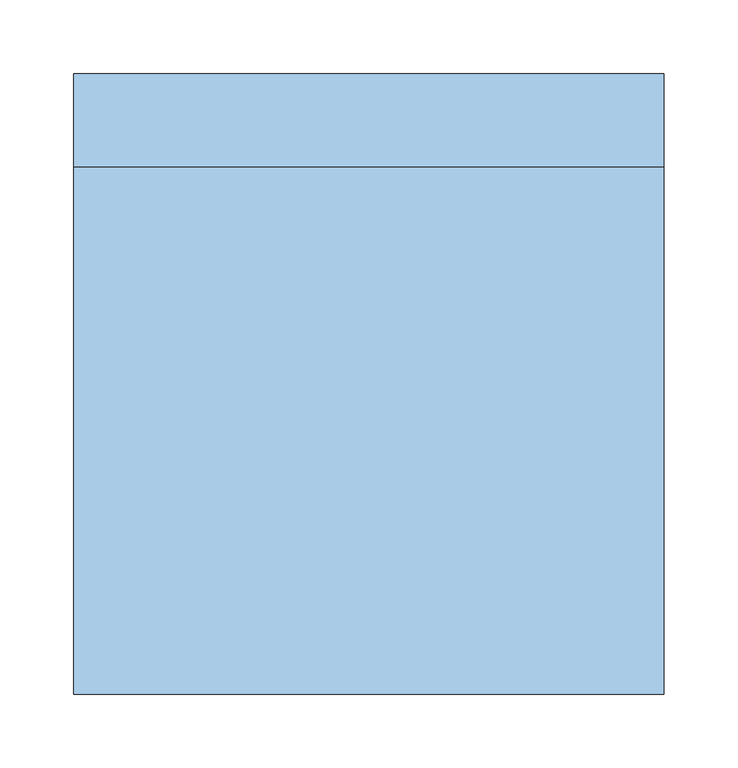
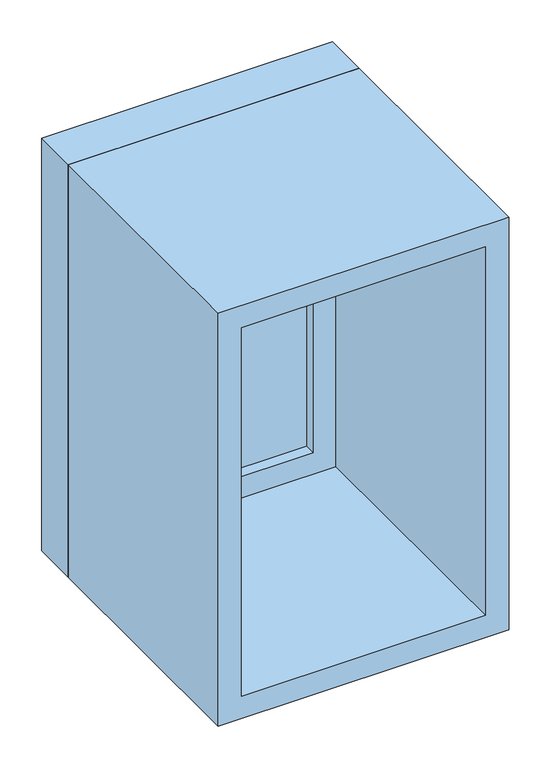
"""IFC4 building model written with IfcOpenShell, lengths in millimetres: window geometry."""

from ifc_helpers import new_model, si_unit, frame, origin, place, context, project, spatial, polyline, outline, extrude, source, transform, mapped, element, save


def window_4ecab917(model_context):
    return source(origin(), model_context, "Body", "SweptSolid", [
        extrude(outline(polyline([(-137.0, 188.0), (137.0, 188.0), (137.0, 176.0), (-137.0, 176.0), (-137.0, 188.0)])), frame((0.0, 0.0, 978.0), z_axis=(0.0, 0.0, 1.0), x_axis=(1.0, 0.0, 0.0)), (0.0, 0.0, 1.0), 474.0),
        extrude(outline(polyline([(1496.0, -181.0), (934.0, -181.0), (934.0, 181.0), (1496.0, 181.0), (1496.0, -181.0)]), holes=[polyline([(1452.0, -137.0), (1452.0, 137.0), (978.0, 137.0), (978.0, -137.0), (1452.0, -137.0)])]), frame((0.0, 160.0, 0.0), z_axis=(0.0, 1.0, 0.0), x_axis=(0.0, 0.0, 1.0)), (0.0, 0.0, 1.0), 44.0),
        extrude(outline(polyline([(1515.0, -200.0), (915.0, -200.0), (915.0, 200.0), (1515.0, 200.0), (1515.0, -200.0)]), holes=[polyline([(1496.0, -181.0), (1496.0, 181.0), (934.0, 181.0), (934.0, -181.0), (1496.0, -181.0)])]), frame((0.0, 160.0, 0.0), z_axis=(0.0, 1.0, 0.0), x_axis=(0.0, 0.0, 1.0)), (0.0, 0.0, 1.0), 63.0),
        extrude(outline(polyline([(1515.0, -200.0), (915.0, -200.0), (915.0, 200.0), (1515.0, 200.0), (1515.0, -200.0)]), holes=[polyline([(1483.0, -168.0), (1483.0, 168.0), (947.0, 168.0), (947.0, -168.0), (1483.0, -168.0)])]), frame((0.0, -197.0, 0.0), z_axis=(0.0, 1.0, 0.0), x_axis=(0.0, 0.0, 1.0)), (0.0, 0.0, 1.0), 357.0),
    ])


if __name__ == "__main__":
    model = new_model("IFC4")
    model_context = context("Model", 3, world=origin())
    ifc_project = project(units=[si_unit("LENGTHUNIT", "METRE", prefix="MILLI")], contexts=[model_context])
    site = spatial("IfcSite", under=ifc_project)
    building = spatial("IfcBuilding", under=site)
    placement = place(None, origin())
    window_shape = window_4ecab917(model_context)
    element("IfcWindow", 1, at=placement, inside=building, context=model_context, shape_type="MappedRepresentation", body=[
        mapped(window_shape, transform((0.0, 0.0, 0.0), x_axis=(1.0, 0.0, 0.0), y_axis=(0.0, 1.0, 0.0), z_axis=(0.0, 0.0, 1.0))),
    ])
    save(model, "model.ifc")
